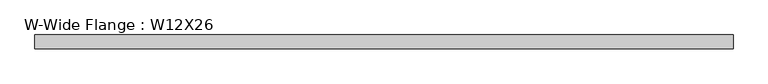
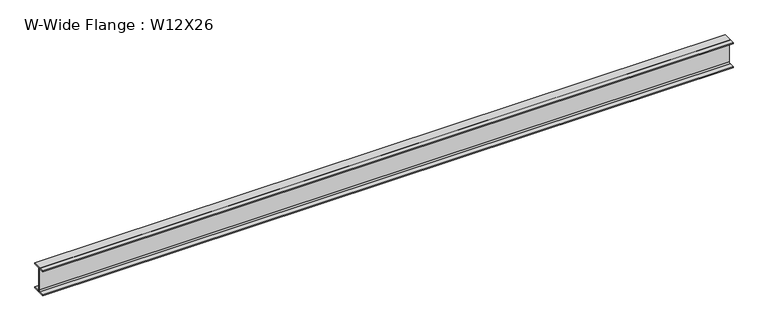
"""IFC4 building model written with IfcOpenShell, lengths in millimetres: beam geometry, W-Wide Flange : W12X26."""

from ifc_helpers import new_model, si_unit, point, frame, frame_2d, origin, place, context, project, spatial, polyline, circle_curve, trimmed, segment, composite_curve, outline, extrude, source, transform, mapped, element, save


def w_wide_flange_w12x26_91af451d(model_context):
    return source(origin(), model_context, "Body", "SweptSolid", [
        extrude(outline(composite_curve([segment(polyline([(82.4011719, -145.5539063), (82.4011719, -155.178125), (-82.4011719, -155.178125), (-82.4011719, -145.5539063), (-20.2902344, -145.5539063)]), True, "CONTINUOUS"), segment(trimmed(circle_curve(frame_2d((-20.2902344, -128.190625)), 17.3632812), [point((-20.2902344, -145.5539063))], [point((-2.9269531, -128.190625))], True, "CARTESIAN"), True, "CONTINUOUS"), segment(polyline([(-2.9269531, -128.190625), (-2.9269531, 128.190625)]), True, "CONTINUOUS"), segment(trimmed(circle_curve(frame_2d((-20.2902344, 128.190625)), 17.3632812), [point((-2.9269531, 128.190625))], [point((-20.2902344, 145.5539062))], True, "CARTESIAN"), True, "CONTINUOUS"), segment(polyline([(-20.2902344, 145.5539062), (-82.4011719, 145.5539062), (-82.4011719, 155.178125), (82.4011719, 155.178125), (82.4011719, 145.5539062), (20.2902344, 145.5539062)]), True, "CONTINUOUS"), segment(trimmed(circle_curve(frame_2d((20.2902344, 128.190625)), 17.3632812), [point((20.2902344, 145.5539062))], [point((2.9269531, 128.190625))], True, "CARTESIAN"), True, "CONTINUOUS"), segment(polyline([(2.9269531, 128.190625), (2.9269531, -128.190625)]), True, "CONTINUOUS"), segment(trimmed(circle_curve(frame_2d((20.2902344, -128.190625)), 17.3632812), [point((2.9269531, -128.190625))], [point((20.2902344, -145.5539063))], True, "CARTESIAN"), True, "CONTINUOUS"), segment(polyline([(20.2902344, -145.5539063), (82.4011719, -145.5539063)]), True, "CONTINUOUS")], self_intersect=False)), frame((-4134.4142828, 0.0, 0.0), z_axis=(1.0, 0.0, 0.0), x_axis=(0.0, 1.0, 0.0)), (0.0, 0.0, 1.0), 8185.9623297),
    ])


if __name__ == "__main__":
    model = new_model("IFC4")
    model_context = context("Model", 3, world=origin())
    ifc_project = project(units=[si_unit("LENGTHUNIT", "METRE", prefix="MILLI")], contexts=[model_context])
    site = spatial("IfcSite", under=ifc_project)
    building = spatial("IfcBuilding", under=site)
    placement = place(None, origin())
    w_wide_flange_w12x26_shape = w_wide_flange_w12x26_91af451d(model_context)
    element("IfcBeam", 1, ObjectType="W-Wide Flange : W12X26", at=placement, inside=building, context=model_context, shape_type="MappedRepresentation", body=[
        mapped(w_wide_flange_w12x26_shape, transform((0.0, 0.0, 0.0), x_axis=(1.0, 0.0, 0.0), y_axis=(0.0, 1.0, 0.0), z_axis=(0.0, 0.0, 1.0))),
    ])
    save(model, "model.ifc")
